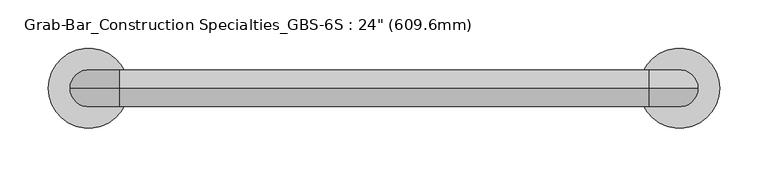
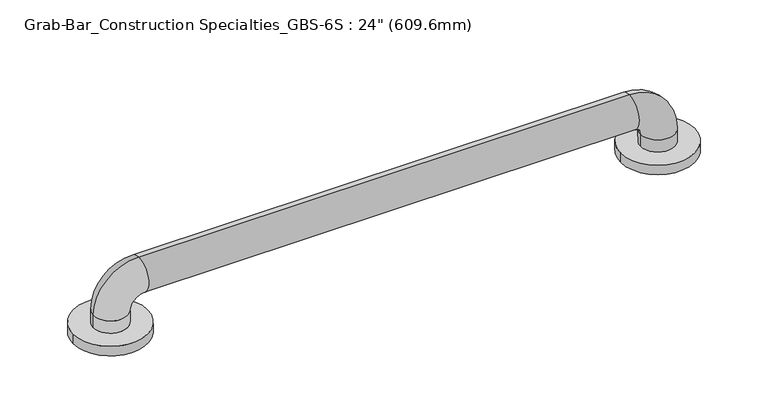
"""IFC4 building model written with IfcOpenShell, lengths in millimetres: proxy geometry."""

from ifc_helpers import new_model, si_unit, point, frame, origin, origin_with_axes, place, context, project, spatial, circle_curve, ellipse_curve, trimmed, source, transform, mapped, element, save
from ifc_brep_helpers import plane_surface, cylinder_surface, revolved_surface, advanced_brep


def proxy_cc8a87ce(model_context):
    return source(origin(), model_context, "Body", "AdvancedBrep", [
        advanced_brep(
        [(-41.3010856, 0.0, 0.0), (41.3010856, 0.0, 0.0), (568.2989144, 0.0, 0.0), (650.9010856, 0.0, 0.0), (19.05, 0.0, 25.4), (-19.05, 0.0, 25.4), (-19.05, 0.0, 11.1125), (19.05, 0.0, 11.1125), (31.75, 0.0, 38.1), (31.75, 0.0, 76.2), (577.85, 0.0, 38.1), (577.85, 0.0, 76.2), (590.55, 0.0, 25.4), (628.65, 0.0, 25.4), (590.55, 0.0, 11.1125), (628.65, 0.0, 11.1125), (-41.3010856, 0.0, 11.1125), (41.3010856, 0.0, 11.1125), (568.2989144, 0.0, 11.1125), (650.9010856, 0.0, 11.1125)],
        [
            (0, 1, circle_curve(frame((0.0, 0.0, 0.0), z_axis=(0.0, 0.0, -1.0), x_axis=(1.0, 0.0, 0.0)), 41.3010856)),
            (1, 0, circle_curve(frame((0.0, 0.0, 0.0), z_axis=(0.0, 0.0, -1.0), x_axis=(1.0, 0.0, 0.0)), 41.3010856)),
            (2, 3, circle_curve(frame((609.6, 0.0, 0.0), z_axis=(0.0, 0.0, -1.0), x_axis=(1.0, 0.0, 0.0)), 41.3010856)),
            (3, 2, circle_curve(frame((609.6, 0.0, 0.0), z_axis=(0.0, 0.0, -1.0), x_axis=(1.0, 0.0, 0.0)), 41.3010856)),
            (4, 5, circle_curve(frame((0.0, 0.0, 25.4), z_axis=(0.0, 0.0, -1.0), x_axis=(-1.0, 0.0, 0.0)), 19.05)),
            (5, 6),
            (6, 7, circle_curve(frame((0.0, 0.0, 11.1125), z_axis=(0.0, 0.0, 1.0), x_axis=(-1.0, 0.0, 0.0)), 19.05)),
            (7, 4),
            (5, 4, circle_curve(frame((0.0, 0.0, 25.4), z_axis=(0.0, 0.0, -1.0), x_axis=(-1.0, 0.0, 0.0)), 19.05)),
            (7, 6, circle_curve(frame((0.0, 0.0, 11.1125), z_axis=(0.0, 0.0, 1.0), x_axis=(-1.0, 0.0, 0.0)), 19.05)),
            (4, 8, circle_curve(frame((31.75, 0.0, 25.4), z_axis=(0.0, 1.0, 0.0), x_axis=(-1.0, 0.0, 0.0)), 12.7)),
            (8, 9, circle_curve(frame((31.75, 0.0, 57.15), z_axis=(-1.0, 0.0, 0.0), x_axis=(0.0, 0.0, 1.0)), 19.05)),
            (9, 5, circle_curve(frame((31.75, 0.0, 25.4), z_axis=(0.0, -1.0, 0.0), x_axis=(-1.0, 0.0, 0.0)), 50.8)),
            (9, 8, circle_curve(frame((31.75, 0.0, 57.15), z_axis=(-1.0, 0.0, 0.0), x_axis=(0.0, 0.0, 1.0)), 19.05)),
            (8, 10),
            (10, 11, circle_curve(frame((577.85, 0.0, 57.15), z_axis=(-1.0, 0.0, 0.0), x_axis=(0.0, 0.0, 1.0)), 19.05)),
            (11, 9),
            (11, 10, circle_curve(frame((577.85, 0.0, 57.15), z_axis=(-1.0, 0.0, 0.0), x_axis=(0.0, 0.0, 1.0)), 19.05)),
            (10, 12, circle_curve(frame((577.85, 0.0, 25.4), z_axis=(0.0, 1.0, 0.0), x_axis=(0.0, 0.0, 1.0)), 12.7)),
            (12, 13, circle_curve(frame((609.6, 0.0, 25.4), z_axis=(0.0, 0.0, 1.0), x_axis=(1.0, 0.0, 0.0)), 19.05)),
            (13, 11, circle_curve(frame((577.85, 0.0, 25.4), z_axis=(0.0, -1.0, 0.0), x_axis=(0.0, 0.0, 1.0)), 50.8)),
            (13, 12, circle_curve(frame((609.6, 0.0, 25.4), z_axis=(0.0, 0.0, 1.0), x_axis=(1.0, 0.0, 0.0)), 19.05)),
            (12, 14),
            (14, 15, circle_curve(frame((609.6, 0.0, 11.1125), z_axis=(0.0, 0.0, 1.0), x_axis=(1.0, 0.0, 0.0)), 19.05)),
            (15, 13),
            (15, 14, circle_curve(frame((609.6, 0.0, 11.1125), z_axis=(0.0, 0.0, 1.0), x_axis=(1.0, 0.0, 0.0)), 19.05)),
            (16, 17, circle_curve(frame((0.0, 0.0, 11.1125), z_axis=(0.0, 0.0, 1.0), x_axis=(1.0, 0.0, 0.0)), 41.3010856)),
            (17, 16, circle_curve(frame((0.0, 0.0, 11.1125), z_axis=(0.0, 0.0, 1.0), x_axis=(1.0, 0.0, 0.0)), 41.3010856)),
            (18, 19, circle_curve(frame((609.6, 0.0, 11.1125), z_axis=(0.0, 0.0, 1.0), x_axis=(1.0, 0.0, 0.0)), 41.3010856)),
            (19, 18, circle_curve(frame((609.6, 0.0, 11.1125), z_axis=(0.0, 0.0, 1.0), x_axis=(1.0, 0.0, 0.0)), 41.3010856)),
            (16, 0),
            (1, 17),
            (18, 2),
            (3, 19),
        ],
        [
            plane_surface(frame((0.0, 0.0, 0.0), z_axis=(0.0, 0.0, -1.0), x_axis=(0.0, -1.0, 0.0))),
            cylinder_surface(frame((0.0, 0.0, 0.0), z_axis=(0.0, 0.0, -1.0), x_axis=(-1.0, 0.0, 0.0)), 19.05),
            revolved_surface(trimmed(ellipse_curve(frame((0.0, 0.0, 25.4), z_axis=(0.0, 0.0, -1.0), x_axis=(-1.0, 0.0, 0.0)), 19.05, 19.05), [point((19.05, 0.0, 25.4))], [point((-19.05, 0.0, 25.4))], True, "CARTESIAN"), (31.75, 0.0, 25.4), (0.0, 1.0, 0.0)),
            revolved_surface(trimmed(ellipse_curve(frame((0.0, 0.0, 25.4), z_axis=(0.0, 0.0, -1.0), x_axis=(-1.0, 0.0, 0.0)), 19.05, 19.05), [point((-19.05, 0.0, 25.4))], [point((19.05, 0.0, 25.4))], True, "CARTESIAN"), (31.75, 0.0, 25.4), (0.0, 1.0, 0.0)),
            cylinder_surface(frame((31.75, 0.0, 57.15), z_axis=(-1.0, 0.0, 0.0), x_axis=(0.0, 0.0, 1.0)), 19.05),
            revolved_surface(trimmed(ellipse_curve(frame((577.85, 0.0, 57.15), z_axis=(-1.0, 0.0, 0.0), x_axis=(0.0, 0.0, 1.0)), 19.05, 19.05), [point((577.85, 0.0, 38.1))], [point((577.85, 0.0, 76.2))], True, "CARTESIAN"), (577.85, 0.0, 25.4), (0.0, 1.0, 0.0)),
            revolved_surface(trimmed(ellipse_curve(frame((577.85, 0.0, 57.15), z_axis=(-1.0, 0.0, 0.0), x_axis=(0.0, 0.0, 1.0)), 19.05, 19.05), [point((577.85, 0.0, 76.2))], [point((577.85, 0.0, 38.1))], True, "CARTESIAN"), (577.85, 0.0, 25.4), (0.0, 1.0, 0.0)),
            cylinder_surface(frame((609.6, 0.0, 25.4), z_axis=(0.0, 0.0, 1.0), x_axis=(1.0, 0.0, 0.0)), 19.05),
            plane_surface(frame((41.3010856, 0.0, 11.1125), z_axis=(0.0, 0.0, 1.0), x_axis=(0.0, 1.0, 0.0))),
            cylinder_surface(origin_with_axes(), 41.3010856),
            cylinder_surface(frame((609.6, 0.0, 0.0), z_axis=(0.0, 0.0, 1.0), x_axis=(1.0, 0.0, 0.0)), 41.3010856),
        ],
        [
            (0, [[1, 2]]),
            (0, [[3, 4]]),
            (1, [[5, 6, 7, 8]]),
            (1, [[9, -8, 10, -6]]),
            (2, [[-5, 11, 12, 13]]),
            (3, [[-9, -13, 14, -11]]),
            (4, [[-12, 15, 16, 17]]),
            (4, [[-14, -17, 18, -15]]),
            (5, [[-16, 19, 20, 21]]),
            (6, [[-18, -21, 22, -19]]),
            (7, [[-20, 23, 24, 25]]),
            (7, [[-22, -25, 26, -23]]),
            (8, [[27, 28], [-7, -10]]),
            (8, [[29, 30], [-24, -26]]),
            (9, [[-27, 31, -2, 32]]),
            (9, [[-28, -32, -1, -31]]),
            (10, [[-29, 33, -4, 34]]),
            (10, [[-30, -34, -3, -33]]),
        ],
    ),
    ])


if __name__ == "__main__":
    model = new_model("IFC4")
    model_context = context("Model", 3, world=origin())
    ifc_project = project(units=[si_unit("LENGTHUNIT", "METRE", prefix="MILLI")], contexts=[model_context])
    site = spatial("IfcSite", under=ifc_project)
    building = spatial("IfcBuilding", under=site)
    placement = place(None, origin())
    proxy_shape = proxy_cc8a87ce(model_context)
    element("IfcBuildingElementProxy", 1, Name="Grab-Bar_Construction Specialties_GBS-6S : 24\" (609.6mm)", ObjectType="Grab-Bar_Construction Specialties_GBS-6S : 24\" (609.6mm)", at=placement, inside=building, context=model_context, shape_type="MappedRepresentation", body=[
        mapped(proxy_shape, transform((0.0, 0.0, 0.0), x_axis=(1.0, 0.0, 0.0), y_axis=(0.0, 1.0, 0.0), z_axis=(0.0, 0.0, 1.0))),
    ])
    save(model, "model.ifc")
